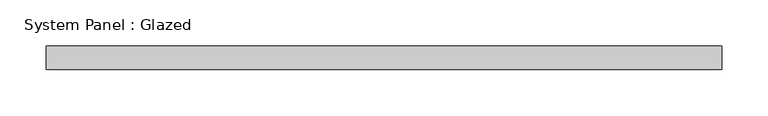
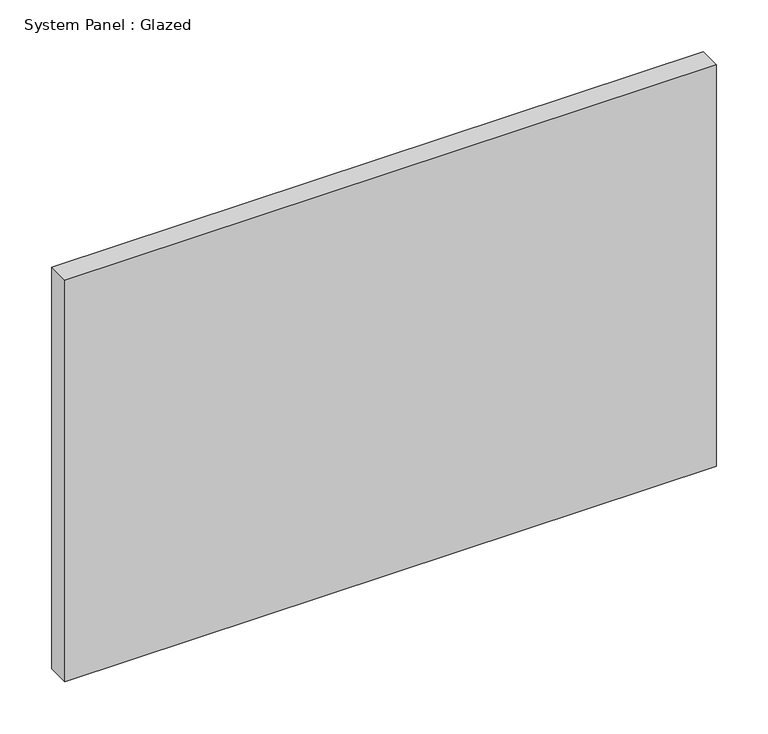
"""IFC4 building model written with IfcOpenShell, lengths in millimetres: plate geometry, System Panel : Glazed."""

import ifcopenshell
import ifcopenshell.guid

model = None  # the IFC model being written
_history = None  # IfcOwnerHistory: only IFC2X3 demands one
_inside = {}  # id of a spatial element -> (the spatial element, [elements in it])
_under = {}  # id of a project, library or spatial element -> (it, [spatial elements below it])
_declared = {}  # id of a project -> (the project, [libraries it declares])
_typed = {}  # id of a type object -> (the type object, [elements of that type])
_made_of = {}  # id of a material, layer set ... -> (it, [elements and type objects made of it])


def new_model(schema):
    """Start an empty IFC model of exactly this schema.

    Asked for "IFC4X3", IfcOpenShell would pick the latest addendum, in which some entities
    have other attributes; the version numbers below select the first issue.
    IFC2X3 requires an IfcOwnerHistory on every rooted entity: one is made here for all.
    """
    global model, _history
    if schema == "IFC4X3":
        model = ifcopenshell.file(schema_version=(4, 3, 0, 0))
    else:
        model = ifcopenshell.file(schema=schema)
    _inside.clear()
    _under.clear()
    _declared.clear()
    _typed.clear()
    _made_of.clear()
    _history = None
    if model.schema == "IFC2X3":
        org = make("IfcOrganization", Name="unknown")
        user = make(
            "IfcPersonAndOrganization",
            ThePerson=make("IfcPerson", FamilyName="unknown"),
            TheOrganization=org,
        )
        app = make(
            "IfcApplication",
            ApplicationDeveloper=org,
            Version="unknown",
            ApplicationFullName="unknown",
            ApplicationIdentifier="unknown",
        )
        _history = make(
            "IfcOwnerHistory",
            OwningUser=user,
            OwningApplication=app,
            ChangeAction="ADDED",
            CreationDate=0,
        )
    return model


def make(cls, **values):
    """One entity of the class cls with the attributes given. An attribute that is None is left unset."""
    return model.create_entity(
        cls, **{name: value for name, value in values.items() if value is not None}
    )


def rooted(cls, **values):
    """An entity with a GlobalId (a new one), such as an element, a storey or a relation."""
    return make(cls, GlobalId=ifcopenshell.guid.new(), OwnerHistory=_history, **values)


def si_unit(unit_type, name, prefix=None):
    """IfcSIUnit, for example si_unit("LENGTHUNIT", "METRE", prefix="MILLI")."""
    return make("IfcSIUnit", UnitType=unit_type, Prefix=prefix, Name=name)


def assignment(units):
    """IfcUnitAssignment: the units of a project."""
    return None if units is None else make("IfcUnitAssignment", Units=units)


def point(xyz):
    """IfcCartesianPoint."""
    return None if xyz is None else make("IfcCartesianPoint", Coordinates=xyz)


def direction(xyz):
    """IfcDirection."""
    return None if xyz is None else make("IfcDirection", DirectionRatios=xyz)


def frame(location, z_axis=None, x_axis=None):
    """IfcAxis2Placement3D, a coordinate frame: its origin and axes. An axis left out is left unset."""
    return make(
        "IfcAxis2Placement3D",
        Location=point(location),
        Axis=direction(z_axis),
        RefDirection=direction(x_axis),
    )


def origin():
    """The frame at (0, 0, 0) with its axes left unset."""
    return frame((0.0, 0.0, 0.0))


def origin_with_axes():
    """The frame at (0, 0, 0) with the z axis (0, 0, 1) and the x axis (1, 0, 0) written out."""
    return frame((0.0, 0.0, 0.0), z_axis=(0.0, 0.0, 1.0), x_axis=(1.0, 0.0, 0.0))


def place(relative_to, where):
    """IfcLocalPlacement: puts the frame where relative to a parent placement (None: the world)."""
    return make(
        "IfcLocalPlacement", PlacementRelTo=relative_to, RelativePlacement=where
    )


def context(
    kind, dimensions, precision=None, world=None, true_north=None, identifier=None
):
    """IfcGeometricRepresentationContext, for example the 3D "Model" context."""
    return make(
        "IfcGeometricRepresentationContext",
        ContextIdentifier=identifier,
        ContextType=kind,
        CoordinateSpaceDimension=dimensions,
        Precision=precision,
        WorldCoordinateSystem=world,
        TrueNorth=true_north,
    )


def project(units=None, contexts=None):
    """IfcProject with its units and contexts."""
    return rooted(
        "IfcProject",
        Name="project",
        RepresentationContexts=contexts,
        UnitsInContext=assignment(units),
    )


def spatial(cls, under=None, at=None, **own):
    """A site, building, storey or space (cls), placed at a placement, below another one or the project."""
    s = rooted(cls, ObjectPlacement=at, **own)
    if under is not None:
        _under.setdefault(under.id(), (under, []))[1].append(s)
    return s


def polyline(points):
    """IfcPolyline through the points."""
    return make("IfcPolyline", Points=[point(p) for p in points])


def outline(outer, holes=None, kind="AREA"):
    """IfcArbitraryClosedProfileDef: a profile drawn as a closed curve; with holes, ...WithVoids."""
    if holes is None:
        return make("IfcArbitraryClosedProfileDef", ProfileType=kind, OuterCurve=outer)
    return make(
        "IfcArbitraryProfileDefWithVoids",
        ProfileType=kind,
        OuterCurve=outer,
        InnerCurves=holes,
    )


def extrude(swept, where, along, depth):
    """IfcExtrudedAreaSolid: the profile swept, set in the frame where, extruded along a direction by depth."""
    return make(
        "IfcExtrudedAreaSolid",
        SweptArea=swept,
        Position=where,
        ExtrudedDirection=direction(along),
        Depth=depth,
    )


def shape(context_of_items, identifier, shape_type, items):
    """IfcShapeRepresentation: the items that make up one representation, for example the "Body"."""
    return make(
        "IfcShapeRepresentation",
        ContextOfItems=context_of_items,
        RepresentationIdentifier=identifier,
        RepresentationType=shape_type,
        Items=items,
    )


def source(mapping_origin, context_of_items, identifier, shape_type, items):
    """IfcRepresentationMap: a shape defined once, which mapped items show again and again."""
    return make(
        "IfcRepresentationMap",
        MappingOrigin=mapping_origin,
        MappedRepresentation=shape(context_of_items, identifier, shape_type, items),
    )


def transform(
    local_origin,
    x_axis=None,
    y_axis=None,
    z_axis=None,
    scale=None,
    scale2=None,
    scale3=None,
    uniform=True,
):
    """IfcCartesianTransformationOperator3D, or its non-uniform kind. x_axis, y_axis, z_axis: its Axis1, 2, 3."""
    if uniform:
        return make(
            "IfcCartesianTransformationOperator3D",
            Axis1=direction(x_axis),
            Axis2=direction(y_axis),
            LocalOrigin=point(local_origin),
            Scale=scale,
            Axis3=direction(z_axis),
        )
    return make(
        "IfcCartesianTransformationOperator3DnonUniform",
        Axis1=direction(x_axis),
        Axis2=direction(y_axis),
        LocalOrigin=point(local_origin),
        Scale=scale,
        Axis3=direction(z_axis),
        Scale2=scale2,
        Scale3=scale3,
    )


def mapped(mapping_source, mapping_target):
    """IfcMappedItem: shows the shape of a source again, moved by a transform."""
    return make(
        "IfcMappedItem", MappingSource=mapping_source, MappingTarget=mapping_target
    )


def made_of(thing, what):
    """Note that an element or type object is made of a material, layer set ...; save() writes the relation."""
    if what is not None:
        _made_of.setdefault(what.id(), (what, []))[1].append(thing)
    return thing


def element(
    cls,
    number,
    at=None,
    inside=None,
    cuts=None,
    type_object=None,
    material=None,
    context=None,
    identifier="Body",
    shape_type=None,
    held_by="IfcProductDefinitionShape",
    body=None,
    shapes=None,
    **own,
):
    """One element of the class cls, such as IfcWall. Its Tag is "e" and its number.

    at: its placement. inside: the storey or other place that contains it. cuts: it is an
    opening in that element (IfcRelVoidsElement). A single representation is given by context,
    identifier, shape_type and body (its items); several are given by shapes. held_by: the class
    of the entity that holds the representations. save() writes the other relations.
    """
    e = rooted(cls, Tag="e%d" % number, ObjectPlacement=at, **own)
    if body is not None:
        shapes = [shape(context, identifier, shape_type, body)]
    if shapes is not None:
        e.Representation = make(held_by, Representations=shapes)
    if inside is not None:
        _inside.setdefault(inside.id(), (inside, []))[1].append(e)
    if cuts is not None:
        rooted(
            "IfcRelVoidsElement", RelatingBuildingElement=cuts, RelatedOpeningElement=e
        )
    if type_object is not None:
        _typed.setdefault(type_object.id(), (type_object, []))[1].append(e)
    return made_of(e, material)


def aggregate(whole, parts):
    """IfcRelAggregates: a whole, such as a stair, and the parts it consists of."""
    return rooted("IfcRelAggregates", RelatingObject=whole, RelatedObjects=parts)


def save(model, path):
    """Write the relations noted so far, then the file.

    IfcRelAggregates (storeys below a building ...), IfcRelContainedInSpatialStructure (elements
    in a storey), IfcRelDefinesByType, IfcRelAssociatesMaterial and IfcRelDeclares: one each for
    every whole, place, type object, material and project.
    """
    for whole, parts in _under.values():
        aggregate(whole, parts)
    for where, things in _inside.values():
        rooted(
            "IfcRelContainedInSpatialStructure",
            RelatedElements=things,
            RelatingStructure=where,
        )
    for kind, things in _typed.values():
        rooted("IfcRelDefinesByType", RelatedObjects=things, RelatingType=kind)
    for what, things in _made_of.values():
        rooted("IfcRelAssociatesMaterial", RelatedObjects=things, RelatingMaterial=what)
    for by, libraries in _declared.values():
        rooted("IfcRelDeclares", RelatingContext=by, RelatedDefinitions=libraries)
    model.write(path)


def system_panel_glazed_e1dec3df(model_context):
    return source(origin(), model_context, "Body", "SweptSolid", [
        extrude(outline(polyline([(363.6722104, 19.05), (-363.6722104, 19.05), (-363.6722104, 44.45), (363.6722104, 44.45), (363.6722104, 19.05)])), origin_with_axes(), (0.0, 0.0, 1.0), 473.71),
    ])


if __name__ == "__main__":
    model = new_model("IFC4")
    model_context = context("Model", 3, world=origin())
    ifc_project = project(units=[si_unit("LENGTHUNIT", "METRE", prefix="MILLI")], contexts=[model_context])
    site = spatial("IfcSite", under=ifc_project)
    building = spatial("IfcBuilding", under=site)
    placement = place(None, origin())
    system_panel_glazed_shape = system_panel_glazed_e1dec3df(model_context)
    element("IfcPlate", 1, ObjectType="System Panel : Glazed", at=placement, inside=building, context=model_context, shape_type="MappedRepresentation", body=[
        mapped(system_panel_glazed_shape, transform((0.0, 0.0, 0.0), x_axis=(1.0, 0.0, 0.0), y_axis=(0.0, 1.0, 0.0), z_axis=(0.0, 0.0, 1.0))),
    ])
    save(model, "model.ifc")
